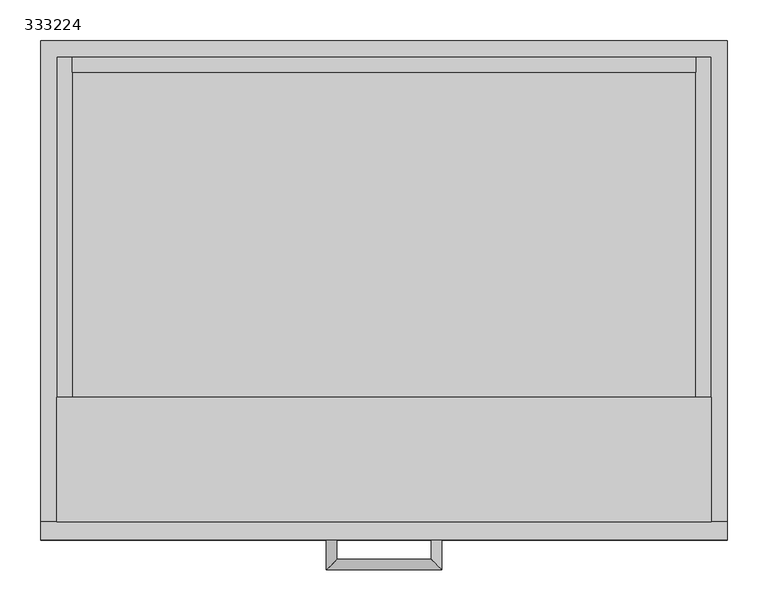
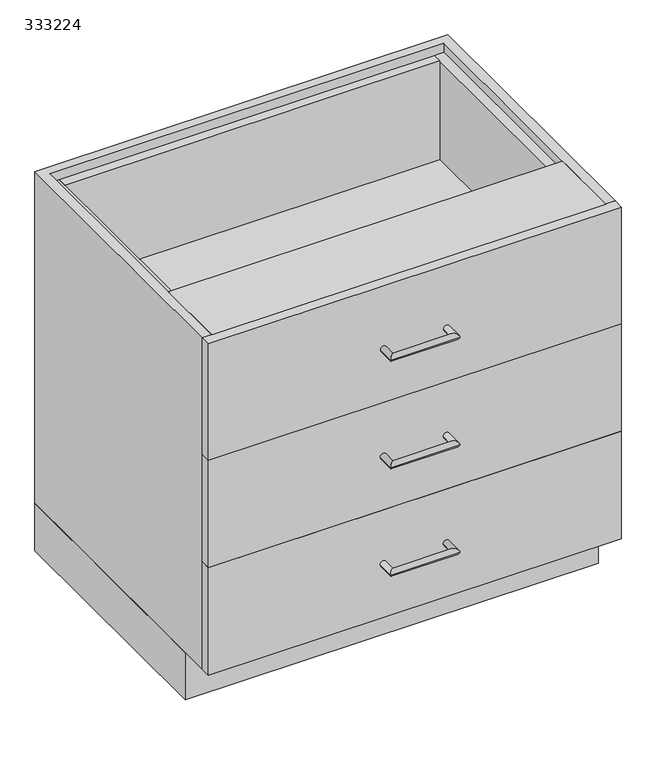
"""IFC4 building model written with IfcOpenShell, lengths in millimetres: furniture geometry, 333224."""

from ifc_helpers import new_model, si_unit, frame, origin, origin_with_axes, place, context, project, spatial, polyline, circle_curve, ellipse_curve, outline, extrude, source, transform, mapped, element, save
from ifc_brep_helpers import plane_surface, cylinder_surface, advanced_brep


def furniture_333224_e35e08cb(model_context):
    return source(origin(), model_context, "Body", "SolidModel", [
        extrude(outline(polyline([(-400.3622951, 0.0), (437.8377049, 0.0), (437.8377049, -528.6), (-400.3622951, -528.6), (-400.3622951, 0.0)]), holes=[polyline([(-381.1622951, -509.4), (418.6377049, -509.4), (418.6377049, -19.2), (-381.1622951, -19.2), (-381.1622951, -509.4)])]), origin_with_axes(), (0.0, 0.0, 1.0), 101.5996875),
        extrude(outline(polyline([(399.4377049, -19.2), (399.4377049, -38.4), (-361.9622951, -38.4), (-361.9622951, -19.2), (399.4377049, -19.2)])), frame((0.0, 0.0, 582.1332292), z_axis=(0.0, 0.0, 1.0), x_axis=(1.0, 0.0, 0.0)), (0.0, 0.0, 1.0), 211.4667708),
        extrude(outline(polyline([(399.4377049, -19.2), (399.4377049, -38.4), (-361.9622951, -38.4), (-361.9622951, -19.2), (399.4377049, -19.2)])), frame((0.0, 0.0, 351.4664583), z_axis=(0.0, 0.0, 1.0), x_axis=(1.0, 0.0, 0.0)), (0.0, 0.0, 1.0), 211.4667708),
        extrude(outline(polyline([(399.4377049, -19.2), (399.4377049, -38.4), (-361.9622951, -38.4), (-361.9622951, -19.2), (399.4377049, -19.2)])), frame((0.0, 0.0, 120.7996875), z_axis=(0.0, 0.0, 1.0), x_axis=(1.0, 0.0, 0.0)), (0.0, 0.0, 1.0), 211.4667708),
        extrude(outline(polyline([(793.6, -361.9622951), (793.6, -381.1622951), (562.9332292, -381.1622951), (562.9332292, 418.6377049), (793.6, 418.6377049), (793.6, 399.4377049), (582.1332292, 399.4377049), (582.1332292, -361.9622951), (793.6, -361.9622951)])), frame((0.0, -587.6, 0.0), z_axis=(0.0, 1.0, 0.0), x_axis=(0.0, 0.0, 1.0)), (0.0, 0.0, 1.0), 568.4),
        extrude(outline(polyline([(562.9332292, -361.9622951), (562.9332292, -381.1622951), (332.2664583, -381.1622951), (332.2664583, 418.6377049), (562.9332292, 418.6377049), (562.9332292, 399.4377049), (351.4664583, 399.4377049), (351.4664583, -361.9622951), (562.9332292, -361.9622951)])), frame((0.0, -587.6, 0.0), z_axis=(0.0, 1.0, 0.0), x_axis=(0.0, 0.0, 1.0)), (0.0, 0.0, 1.0), 568.4),
        extrude(outline(polyline([(332.2664583, -361.9622951), (332.2664583, -381.1622951), (101.5996875, -381.1622951), (101.5996875, 418.6377049), (332.2664583, 418.6377049), (332.2664583, 399.4377049), (120.7996875, 399.4377049), (120.7996875, -361.9622951), (332.2664583, -361.9622951)])), frame((0.0, -587.6, 0.0), z_axis=(0.0, 1.0, 0.0), x_axis=(0.0, 0.0, 1.0)), (0.0, 0.0, 1.0), 568.4),
        extrude(outline(polyline([(418.6377049, -435.2), (418.6377049, -587.6), (-381.1622951, -587.6), (-381.1622951, -435.2), (418.6377049, -435.2)])), frame((0.0, 0.0, 793.6), z_axis=(0.0, 0.0, 1.0), x_axis=(1.0, 0.0, 0.0)), (0.0, 0.0, 1.0), 19.2),
        extrude(outline(polyline([(-400.3622951, -609.6), (-400.3622951, -587.6), (437.8377049, -587.6), (437.8377049, -609.6), (-400.3622951, -609.6)])), frame((0.0, 0.0, 562.9332292), z_axis=(0.0, 0.0, 1.0), x_axis=(1.0, 0.0, 0.0)), (0.0, 0.0, 1.0), 249.8667708),
        advanced_brep(
        [(-51.6122951, -609.6, 678.2666146), (-38.9122951, -609.6, 678.2666146), (-51.6122951, -645.95, 678.2666146), (-38.9122951, -633.25, 678.2666146), (89.0877049, -645.95, 678.2666146), (76.3877049, -633.25, 678.2666146), (89.0877049, -609.6, 678.2666146), (76.3877049, -609.6, 678.2666146)],
        [
            (0, 1, circle_curve(frame((-45.2622951, -609.6, 678.2666146), z_axis=(0.0, 1.0, 0.0), x_axis=(1.0, 0.0, 0.0)), 6.35)),
            (1, 0, circle_curve(frame((-45.2622951, -609.6, 678.2666146), z_axis=(0.0, 1.0, 0.0), x_axis=(1.0, 0.0, 0.0)), 6.35)),
            (0, 2),
            (2, 3, ellipse_curve(frame((-45.2622951, -639.6, 678.2666146), z_axis=(-0.7071067811865475, 0.7071067811865475, 0.0), x_axis=(0.7071067811865474, 0.7071067811865476, 0.0)), 8.9802561, 6.35)),
            (3, 1),
            (3, 2, ellipse_curve(frame((-45.2622951, -639.6, 678.2666146), z_axis=(-0.7071067811865475, 0.7071067811865475, 0.0), x_axis=(0.7071067811865474, 0.7071067811865476, 0.0)), 8.9802561, 6.35)),
            (2, 4),
            (4, 5, ellipse_curve(frame((82.7377049, -639.6, 678.2666146), z_axis=(-0.7071067811865475, -0.7071067811865475, 0.0), x_axis=(-0.7071067811865476, 0.7071067811865474, 0.0)), 8.9802561, 6.35)),
            (5, 3),
            (5, 4, ellipse_curve(frame((82.7377049, -639.6, 678.2666146), z_axis=(-0.7071067811865475, -0.7071067811865475, 0.0), x_axis=(-0.7071067811865476, 0.7071067811865474, 0.0)), 8.9802561, 6.35)),
            (6, 7, circle_curve(frame((82.7377049, -609.6, 678.2666146), z_axis=(0.0, 1.0, 0.0), x_axis=(-1.0, 0.0, 0.0)), 6.35)),
            (7, 6, circle_curve(frame((82.7377049, -609.6, 678.2666146), z_axis=(0.0, 1.0, 0.0), x_axis=(-1.0, 0.0, 0.0)), 6.35)),
            (4, 6),
            (7, 5),
        ],
        [
            plane_surface(frame((-45.2622951, -609.6, 678.2666146), z_axis=(0.0, 1.0, 0.0), x_axis=(0.0, 0.0, 1.0))),
            cylinder_surface(frame((-45.2622951, -609.6, 678.2666146), z_axis=(0.0, 1.0, 0.0), x_axis=(1.0, 0.0, 0.0)), 6.35),
            cylinder_surface(frame((-45.2622951, -639.6, 678.2666146), z_axis=(-1.0, 0.0, 0.0), x_axis=(0.0, 1.0, 0.0)), 6.35),
            plane_surface(frame((82.7377049, -609.6, 678.2666146), z_axis=(0.0, 1.0, 0.0), x_axis=(0.0, 0.0, 1.0))),
            cylinder_surface(frame((82.7377049, -639.6, 678.2666146), z_axis=(0.0, -1.0, 0.0), x_axis=(-1.0, 0.0, 0.0)), 6.35),
        ],
        [
            (0, [[1, 2]]),
            (1, [[-1, 3, 4, 5]]),
            (1, [[-2, -5, 6, -3]]),
            (2, [[-4, 7, 8, 9]]),
            (2, [[-6, -9, 10, -7]]),
            (3, [[11, 12]]),
            (4, [[-8, 13, -12, 14]]),
            (4, [[-10, -14, -11, -13]]),
        ],
    ),
        advanced_brep(
        [(76.3877049, -609.6, 216.9330729), (89.0877049, -609.6, 216.9330729), (76.3877049, -633.25, 216.9330729), (89.0877049, -645.95, 216.9330729), (-38.9122951, -633.25, 216.9330729), (-51.6122951, -645.95, 216.9330729), (-38.9122951, -609.6, 216.9330729), (-51.6122951, -609.6, 216.9330729)],
        [
            (0, 1, circle_curve(frame((82.7377049, -609.6, 216.9330729), z_axis=(0.0, 1.0, 0.0), x_axis=(1.0, 0.0, 0.0)), 6.35)),
            (1, 0, circle_curve(frame((82.7377049, -609.6, 216.9330729), z_axis=(0.0, 1.0, 0.0), x_axis=(1.0, 0.0, 0.0)), 6.35)),
            (0, 2),
            (2, 3, ellipse_curve(frame((82.7377049, -639.6, 216.9330729), z_axis=(0.7071067811865475, 0.7071067811865475, 0.0), x_axis=(-0.7071067811865474, 0.7071067811865476, 0.0)), 8.9802561, 6.35)),
            (3, 1),
            (3, 2, ellipse_curve(frame((82.7377049, -639.6, 216.9330729), z_axis=(0.7071067811865475, 0.7071067811865475, 0.0), x_axis=(-0.7071067811865474, 0.7071067811865476, 0.0)), 8.9802561, 6.35)),
            (2, 4),
            (4, 5, ellipse_curve(frame((-45.2622951, -639.6, 216.9330729), z_axis=(0.7071067811865475, -0.7071067811865475, 0.0), x_axis=(0.7071067811865476, 0.7071067811865474, 0.0)), 8.9802561, 6.35)),
            (5, 3),
            (5, 4, ellipse_curve(frame((-45.2622951, -639.6, 216.9330729), z_axis=(0.7071067811865475, -0.7071067811865475, 0.0), x_axis=(0.7071067811865476, 0.7071067811865474, 0.0)), 8.9802561, 6.35)),
            (6, 7, circle_curve(frame((-45.2622951, -609.6, 216.9330729), z_axis=(0.0, 1.0, 0.0), x_axis=(-1.0, 0.0, 0.0)), 6.35)),
            (7, 6, circle_curve(frame((-45.2622951, -609.6, 216.9330729), z_axis=(0.0, 1.0, 0.0), x_axis=(-1.0, 0.0, 0.0)), 6.35)),
            (4, 6),
            (7, 5),
        ],
        [
            plane_surface(frame((82.7377049, -609.6, 216.9330729), z_axis=(0.0, 1.0, 0.0), x_axis=(0.0, 0.0, 1.0))),
            cylinder_surface(frame((82.7377049, -609.6, 216.9330729), z_axis=(0.0, 1.0, 0.0), x_axis=(1.0, 0.0, 0.0)), 6.35),
            cylinder_surface(frame((82.7377049, -639.6, 216.9330729), z_axis=(1.0, 0.0, 0.0), x_axis=(0.0, -1.0, 0.0)), 6.35),
            plane_surface(frame((-45.2622951, -609.6, 216.9330729), z_axis=(0.0, 1.0, 0.0), x_axis=(0.0, 0.0, 1.0))),
            cylinder_surface(frame((-45.2622951, -639.6, 216.9330729), z_axis=(0.0, -1.0, 0.0), x_axis=(-1.0, 0.0, 0.0)), 6.35),
        ],
        [
            (0, [[1, 2]]),
            (1, [[-1, 3, 4, 5]]),
            (1, [[-2, -5, 6, -3]]),
            (2, [[-4, 7, 8, 9]]),
            (2, [[-6, -9, 10, -7]]),
            (3, [[11, 12]]),
            (4, [[-8, 13, -12, 14]]),
            (4, [[-10, -14, -11, -13]]),
        ],
    ),
        extrude(outline(polyline([(437.8377049, -587.6), (437.8377049, -609.6), (-400.3622951, -609.6), (-400.3622951, -587.6), (437.8377049, -587.6)])), frame((0.0, 0.0, 101.5996875), z_axis=(0.0, 0.0, 1.0), x_axis=(1.0, 0.0, 0.0)), (0.0, 0.0, 1.0), 230.6667708),
        advanced_brep(
        [(-51.6122951, -609.6, 447.5998437), (-38.9122951, -609.6, 447.5998437), (-51.6122951, -645.95, 447.5998437), (-38.9122951, -633.25, 447.5998437), (89.0877049, -645.95, 447.5998437), (76.3877049, -633.25, 447.5998437), (89.0877049, -609.6, 447.5998437), (76.3877049, -609.6, 447.5998437)],
        [
            (0, 1, circle_curve(frame((-45.2622951, -609.6, 447.5998437), z_axis=(0.0, 1.0, 0.0), x_axis=(1.0, 0.0, 0.0)), 6.35)),
            (1, 0, circle_curve(frame((-45.2622951, -609.6, 447.5998437), z_axis=(0.0, 1.0, 0.0), x_axis=(1.0, 0.0, 0.0)), 6.35)),
            (0, 2),
            (2, 3, ellipse_curve(frame((-45.2622951, -639.6, 447.5998437), z_axis=(-0.7071067811865475, 0.7071067811865475, 0.0), x_axis=(0.7071067811865474, 0.7071067811865476, 0.0)), 8.9802561, 6.35)),
            (3, 1),
            (3, 2, ellipse_curve(frame((-45.2622951, -639.6, 447.5998437), z_axis=(-0.7071067811865475, 0.7071067811865475, 0.0), x_axis=(0.7071067811865474, 0.7071067811865476, 0.0)), 8.9802561, 6.35)),
            (2, 4),
            (4, 5, ellipse_curve(frame((82.7377049, -639.6, 447.5998437), z_axis=(-0.7071067811865475, -0.7071067811865475, 0.0), x_axis=(-0.7071067811865476, 0.7071067811865474, 0.0)), 8.9802561, 6.35)),
            (5, 3),
            (5, 4, ellipse_curve(frame((82.7377049, -639.6, 447.5998437), z_axis=(-0.7071067811865475, -0.7071067811865475, 0.0), x_axis=(-0.7071067811865476, 0.7071067811865474, 0.0)), 8.9802561, 6.35)),
            (6, 7, circle_curve(frame((82.7377049, -609.6, 447.5998437), z_axis=(0.0, 1.0, 0.0), x_axis=(-1.0, 0.0, 0.0)), 6.35)),
            (7, 6, circle_curve(frame((82.7377049, -609.6, 447.5998437), z_axis=(0.0, 1.0, 0.0), x_axis=(-1.0, 0.0, 0.0)), 6.35)),
            (4, 6),
            (7, 5),
        ],
        [
            plane_surface(frame((-45.2622951, -609.6, 447.5998437), z_axis=(0.0, 1.0, 0.0), x_axis=(0.0, 0.0, 1.0))),
            cylinder_surface(frame((-45.2622951, -609.6, 447.5998437), z_axis=(0.0, 1.0, 0.0), x_axis=(1.0, 0.0, 0.0)), 6.35),
            cylinder_surface(frame((-45.2622951, -639.6, 447.5998437), z_axis=(-1.0, 0.0, 0.0), x_axis=(0.0, 1.0, 0.0)), 6.35),
            plane_surface(frame((82.7377049, -609.6, 447.5998437), z_axis=(0.0, 1.0, 0.0), x_axis=(0.0, 0.0, 1.0))),
            cylinder_surface(frame((82.7377049, -639.6, 447.5998437), z_axis=(0.0, -1.0, 0.0), x_axis=(-1.0, 0.0, 0.0)), 6.35),
        ],
        [
            (0, [[1, 2]]),
            (1, [[-1, 3, 4, 5]]),
            (1, [[-2, -5, 6, -3]]),
            (2, [[-4, 7, 8, 9]]),
            (2, [[-6, -9, 10, -7]]),
            (3, [[11, 12]]),
            (4, [[-8, 13, -12, 14]]),
            (4, [[-10, -14, -11, -13]]),
        ],
    ),
        extrude(outline(polyline([(-400.3622951, -609.6), (-400.3622951, -587.6), (437.8377049, -587.6), (437.8377049, -609.6), (-400.3622951, -609.6)])), frame((0.0, 0.0, 332.2664583), z_axis=(0.0, 0.0, 1.0), x_axis=(1.0, 0.0, 0.0)), (0.0, 0.0, 1.0), 230.6667708),
        extrude(outline(polyline([(437.8377049, -587.6), (418.6377049, -587.6), (418.6377049, -19.2), (-381.1622951, -19.2), (-381.1622951, -587.6), (-400.3622951, -587.6), (-400.3622951, 0.0), (437.8377049, 0.0), (437.8377049, -587.6)])), frame((0.0, 0.0, 101.5996875), z_axis=(0.0, 0.0, 1.0), x_axis=(1.0, 0.0, 0.0)), (0.0, 0.0, 1.0), 711.2003125),
    ])


if __name__ == "__main__":
    model = new_model("IFC4")
    model_context = context("Model", 3, world=origin())
    ifc_project = project(units=[si_unit("LENGTHUNIT", "METRE", prefix="MILLI")], contexts=[model_context])
    site = spatial("IfcSite", under=ifc_project)
    building = spatial("IfcBuilding", under=site)
    placement = place(None, origin())
    furniture_333224_shape = furniture_333224_e35e08cb(model_context)
    element("IfcFurniture", 1, ObjectType="333224", at=placement, inside=building, context=model_context, shape_type="MappedRepresentation", body=[
        mapped(furniture_333224_shape, transform((0.0, 0.0, 0.0), x_axis=(1.0, 0.0, 0.0), y_axis=(0.0, 1.0, 0.0), z_axis=(0.0, 0.0, 1.0))),
    ])
    save(model, "model.ifc")
